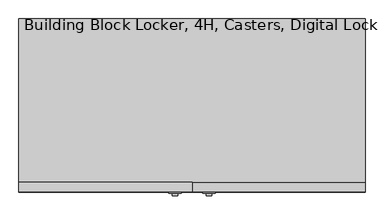
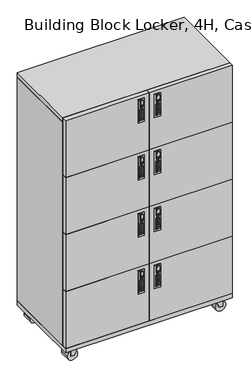
"""IFC4 building model written with IfcOpenShell, lengths in millimetres: furniture geometry, Building Block Locker, 4H, Casters, Digital Lock."""

from ifc_helpers import new_model, si_unit, point, frame, frame_2d, origin, place, context, project, spatial, polyline, circle_curve, trimmed, segment, composite_curve, outline, extrude, source, transform, mapped, element, save


def building_block_locker_4h_casters_digital_lock_9409a73c(model_context):
    return source(origin(), model_context, "Body", "SweptSolid", [
        extrude(outline(polyline([(497.1707735, -459.994), (506.5687735, -459.994), (506.5687735, -460.8078831), (497.1707735, -460.8078831), (497.1707735, -459.994)])), frame((0.0, 0.0, 358.2497206), z_axis=(0.0, 0.0, 1.0), x_axis=(1.0, 0.0, 0.0)), (0.0, 0.0, 1.0), 4.8387031),
        extrude(outline(polyline([(502.9882631, -459.994), (512.8942631, -459.994), (512.8942631, -460.8078831), (502.9882631, -460.8078831), (502.9882631, -459.994)])), frame((0.0, 0.0, 321.691), z_axis=(0.0, 0.0, 1.0), x_axis=(1.0, 0.0, 0.0)), (0.0, 0.0, 1.0), 7.874),
        extrude(outline(polyline([(502.9882631, -459.994), (512.8942631, -459.994), (512.8942631, -460.8078831), (502.9882631, -460.8078831), (502.9882631, -459.994)])), frame((0.0, 0.0, 310.261), z_axis=(0.0, 0.0, 1.0), x_axis=(1.0, 0.0, 0.0)), (0.0, 0.0, 1.0), 7.874),
        extrude(outline(polyline([(502.9882631, -459.994), (512.8942631, -459.994), (512.8942631, -460.8078831), (502.9882631, -460.8078831), (502.9882631, -459.994)])), frame((0.0, 0.0, 344.551), z_axis=(0.0, 0.0, 1.0), x_axis=(1.0, 0.0, 0.0)), (0.0, 0.0, 1.0), 7.874),
        extrude(outline(polyline([(502.9882631, -459.994), (512.8942631, -459.994), (512.8942631, -460.8078831), (502.9882631, -460.8078831), (502.9882631, -459.994)])), frame((0.0, 0.0, 333.121), z_axis=(0.0, 0.0, 1.0), x_axis=(1.0, 0.0, 0.0)), (0.0, 0.0, 1.0), 7.874),
        extrude(outline(polyline([(502.9882631, -459.994), (512.8942631, -459.994), (512.8942631, -460.8078831), (502.9882631, -460.8078831), (502.9882631, -459.994)])), frame((0.0, 0.0, 298.831), z_axis=(0.0, 0.0, 1.0), x_axis=(1.0, 0.0, 0.0)), (0.0, 0.0, 1.0), 7.874),
        extrude(outline(polyline([(502.9882631, -459.994), (512.8942631, -459.994), (512.8942631, -460.8078831), (502.9882631, -460.8078831), (502.9882631, -459.994)])), frame((0.0, 0.0, 287.401), z_axis=(0.0, 0.0, 1.0), x_axis=(1.0, 0.0, 0.0)), (0.0, 0.0, 1.0), 7.874),
        extrude(outline(polyline([(491.0353145, -459.994), (500.9413145, -459.994), (500.9413145, -460.8078831), (491.0353145, -460.8078831), (491.0353145, -459.994)])), frame((0.0, 0.0, 321.691), z_axis=(0.0, 0.0, 1.0), x_axis=(1.0, 0.0, 0.0)), (0.0, 0.0, 1.0), 7.874),
        extrude(outline(polyline([(491.0353145, -459.994), (500.9413145, -459.994), (500.9413145, -460.8078831), (491.0353145, -460.8078831), (491.0353145, -459.994)])), frame((0.0, 0.0, 310.261), z_axis=(0.0, 0.0, 1.0), x_axis=(1.0, 0.0, 0.0)), (0.0, 0.0, 1.0), 7.874),
        extrude(outline(polyline([(491.0353145, -459.994), (500.9413145, -459.994), (500.9413145, -460.8078831), (491.0353145, -460.8078831), (491.0353145, -459.994)])), frame((0.0, 0.0, 344.551), z_axis=(0.0, 0.0, 1.0), x_axis=(1.0, 0.0, 0.0)), (0.0, 0.0, 1.0), 7.874),
        extrude(outline(polyline([(491.0353145, -459.994), (500.9413145, -459.994), (500.9413145, -460.8078831), (491.0353145, -460.8078831), (491.0353145, -459.994)])), frame((0.0, 0.0, 333.121), z_axis=(0.0, 0.0, 1.0), x_axis=(1.0, 0.0, 0.0)), (0.0, 0.0, 1.0), 7.874),
        extrude(outline(polyline([(491.0353145, -459.994), (500.9413145, -459.994), (500.9413145, -460.8078831), (491.0353145, -460.8078831), (491.0353145, -459.994)])), frame((0.0, 0.0, 298.831), z_axis=(0.0, 0.0, 1.0), x_axis=(1.0, 0.0, 0.0)), (0.0, 0.0, 1.0), 7.874),
        extrude(outline(polyline([(491.0353145, -459.994), (500.9413145, -459.994), (500.9413145, -460.8078831), (491.0353145, -460.8078831), (491.0353145, -459.994)])), frame((0.0, 0.0, 287.401), z_axis=(0.0, 0.0, 1.0), x_axis=(1.0, 0.0, 0.0)), (0.0, 0.0, 1.0), 7.874),
        extrude(outline(composite_curve([segment(trimmed(circle_curve(frame_2d((394.1297407, 501.9647888)), 3.302), [point((394.1297407, 498.6627888))], [point((394.1297407, 505.2667888))], False, "CARTESIAN"), True, "CONTINUOUS"), segment(trimmed(circle_curve(frame_2d((394.1297407, 501.9647888)), 3.302), [point((394.1297407, 505.2667888))], [point((394.1297407, 498.6627888))], False, "CARTESIAN"), True, "CONTINUOUS")], self_intersect=False)), frame((0.0, -461.01, 0.0), z_axis=(0.0, 1.0, 0.0), x_axis=(0.0, 0.0, 1.0)), (0.0, 0.0, 1.0), 1.016),
        extrude(outline(polyline([(404.495, 494.7257888), (367.919, 494.7257888), (367.919, 509.2037888), (404.495, 509.2037888), (404.495, 494.7257888)]), holes=[polyline([(370.3640696, 497.1707735), (380.9994975, 497.1707735), (380.9994975, 506.5687735), (370.3640696, 506.5687735), (370.3640696, 497.1707735)])]), frame((0.0, -466.852, 0.0), z_axis=(0.0, 1.0, 0.0), x_axis=(0.0, 0.0, 1.0)), (0.0, 0.0, 1.0), 5.842),
        extrude(outline(polyline([(485.2007888, -457.2), (518.7287888, -457.2), (518.7287888, -459.994), (485.2007888, -459.994), (485.2007888, -457.2)])), frame((0.0, 0.0, 276.225), z_axis=(0.0, 0.0, 1.0), x_axis=(1.0, 0.0, 0.0)), (0.0, 0.0, 1.0), 134.62),
        extrude(outline(polyline([(407.8312265, -459.994), (417.2292265, -459.994), (417.2292265, -460.8078831), (407.8312265, -460.8078831), (407.8312265, -459.994)])), frame((0.0, 0.0, 358.2497206), z_axis=(0.0, 0.0, 1.0), x_axis=(1.0, 0.0, 0.0)), (0.0, 0.0, 1.0), 4.8387031),
        extrude(outline(polyline([(401.5057369, -459.994), (411.4117369, -459.994), (411.4117369, -460.8078831), (401.5057369, -460.8078831), (401.5057369, -459.994)])), frame((0.0, 0.0, 321.691), z_axis=(0.0, 0.0, 1.0), x_axis=(1.0, 0.0, 0.0)), (0.0, 0.0, 1.0), 7.874),
        extrude(outline(polyline([(401.5057369, -459.994), (411.4117369, -459.994), (411.4117369, -460.8078831), (401.5057369, -460.8078831), (401.5057369, -459.994)])), frame((0.0, 0.0, 310.261), z_axis=(0.0, 0.0, 1.0), x_axis=(1.0, 0.0, 0.0)), (0.0, 0.0, 1.0), 7.874),
        extrude(outline(polyline([(401.5057369, -459.994), (411.4117369, -459.994), (411.4117369, -460.8078831), (401.5057369, -460.8078831), (401.5057369, -459.994)])), frame((0.0, 0.0, 344.551), z_axis=(0.0, 0.0, 1.0), x_axis=(1.0, 0.0, 0.0)), (0.0, 0.0, 1.0), 7.874),
        extrude(outline(polyline([(401.5057369, -459.994), (411.4117369, -459.994), (411.4117369, -460.8078831), (401.5057369, -460.8078831), (401.5057369, -459.994)])), frame((0.0, 0.0, 333.121), z_axis=(0.0, 0.0, 1.0), x_axis=(1.0, 0.0, 0.0)), (0.0, 0.0, 1.0), 7.874),
        extrude(outline(polyline([(401.5057369, -459.994), (411.4117369, -459.994), (411.4117369, -460.8078831), (401.5057369, -460.8078831), (401.5057369, -459.994)])), frame((0.0, 0.0, 298.831), z_axis=(0.0, 0.0, 1.0), x_axis=(1.0, 0.0, 0.0)), (0.0, 0.0, 1.0), 7.874),
        extrude(outline(polyline([(401.5057369, -459.994), (411.4117369, -459.994), (411.4117369, -460.8078831), (401.5057369, -460.8078831), (401.5057369, -459.994)])), frame((0.0, 0.0, 287.401), z_axis=(0.0, 0.0, 1.0), x_axis=(1.0, 0.0, 0.0)), (0.0, 0.0, 1.0), 7.874),
        extrude(outline(polyline([(413.4586855, -459.994), (423.3646855, -459.994), (423.3646855, -460.8078831), (413.4586855, -460.8078831), (413.4586855, -459.994)])), frame((0.0, 0.0, 321.691), z_axis=(0.0, 0.0, 1.0), x_axis=(1.0, 0.0, 0.0)), (0.0, 0.0, 1.0), 7.874),
        extrude(outline(polyline([(413.4586855, -459.994), (423.3646855, -459.994), (423.3646855, -460.8078831), (413.4586855, -460.8078831), (413.4586855, -459.994)])), frame((0.0, 0.0, 310.261), z_axis=(0.0, 0.0, 1.0), x_axis=(1.0, 0.0, 0.0)), (0.0, 0.0, 1.0), 7.874),
        extrude(outline(polyline([(413.4586855, -459.994), (423.3646855, -459.994), (423.3646855, -460.8078831), (413.4586855, -460.8078831), (413.4586855, -459.994)])), frame((0.0, 0.0, 344.551), z_axis=(0.0, 0.0, 1.0), x_axis=(1.0, 0.0, 0.0)), (0.0, 0.0, 1.0), 7.874),
        extrude(outline(polyline([(413.4586855, -459.994), (423.3646855, -459.994), (423.3646855, -460.8078831), (413.4586855, -460.8078831), (413.4586855, -459.994)])), frame((0.0, 0.0, 333.121), z_axis=(0.0, 0.0, 1.0), x_axis=(1.0, 0.0, 0.0)), (0.0, 0.0, 1.0), 7.874),
        extrude(outline(polyline([(413.4586855, -459.994), (423.3646855, -459.994), (423.3646855, -460.8078831), (413.4586855, -460.8078831), (413.4586855, -459.994)])), frame((0.0, 0.0, 298.831), z_axis=(0.0, 0.0, 1.0), x_axis=(1.0, 0.0, 0.0)), (0.0, 0.0, 1.0), 7.874),
        extrude(outline(polyline([(413.4586855, -459.994), (423.3646855, -459.994), (423.3646855, -460.8078831), (413.4586855, -460.8078831), (413.4586855, -459.994)])), frame((0.0, 0.0, 287.401), z_axis=(0.0, 0.0, 1.0), x_axis=(1.0, 0.0, 0.0)), (0.0, 0.0, 1.0), 7.874),
        extrude(outline(composite_curve([segment(trimmed(circle_curve(frame_2d((394.1297407, 412.4352112)), 3.302), [point((394.1297407, 409.1332112))], [point((394.1297407, 415.7372112))], False, "CARTESIAN"), True, "CONTINUOUS"), segment(trimmed(circle_curve(frame_2d((394.1297407, 412.4352112)), 3.302), [point((394.1297407, 415.7372112))], [point((394.1297407, 409.1332112))], False, "CARTESIAN"), True, "CONTINUOUS")], self_intersect=False)), frame((0.0, -461.01, 0.0), z_axis=(0.0, 1.0, 0.0), x_axis=(0.0, 0.0, 1.0)), (0.0, 0.0, 1.0), 1.016),
        extrude(outline(polyline([(404.495, 419.6742112), (404.495, 405.1962112), (367.919, 405.1962112), (367.919, 419.6742112), (404.495, 419.6742112)]), holes=[polyline([(370.3640696, 417.2292265), (370.3640696, 407.8312265), (380.9994975, 407.8312265), (380.9994975, 417.2292265), (370.3640696, 417.2292265)])]), frame((0.0, -466.852, 0.0), z_axis=(0.0, 1.0, 0.0), x_axis=(0.0, 0.0, 1.0)), (0.0, 0.0, 1.0), 5.842),
        extrude(outline(polyline([(395.6712112, -457.2), (429.1992112, -457.2), (429.1992112, -459.994), (395.6712112, -459.994), (395.6712112, -457.2)])), frame((0.0, 0.0, 276.225), z_axis=(0.0, 0.0, 1.0), x_axis=(1.0, 0.0, 0.0)), (0.0, 0.0, 1.0), 134.62),
        extrude(outline(polyline([(497.1707735, -459.994), (506.5687735, -459.994), (506.5687735, -460.8078831), (497.1707735, -460.8078831), (497.1707735, -459.994)])), frame((0.0, 0.0, 688.4497206), z_axis=(0.0, 0.0, 1.0), x_axis=(1.0, 0.0, 0.0)), (0.0, 0.0, 1.0), 4.8387031),
        extrude(outline(polyline([(502.9882631, -459.994), (512.8942631, -459.994), (512.8942631, -460.8078831), (502.9882631, -460.8078831), (502.9882631, -459.994)])), frame((0.0, 0.0, 651.891), z_axis=(0.0, 0.0, 1.0), x_axis=(1.0, 0.0, 0.0)), (0.0, 0.0, 1.0), 7.874),
        extrude(outline(polyline([(502.9882631, -459.994), (512.8942631, -459.994), (512.8942631, -460.8078831), (502.9882631, -460.8078831), (502.9882631, -459.994)])), frame((0.0, 0.0, 640.461), z_axis=(0.0, 0.0, 1.0), x_axis=(1.0, 0.0, 0.0)), (0.0, 0.0, 1.0), 7.874),
        extrude(outline(polyline([(502.9882631, -459.994), (512.8942631, -459.994), (512.8942631, -460.8078831), (502.9882631, -460.8078831), (502.9882631, -459.994)])), frame((0.0, 0.0, 674.751), z_axis=(0.0, 0.0, 1.0), x_axis=(1.0, 0.0, 0.0)), (0.0, 0.0, 1.0), 7.874),
        extrude(outline(polyline([(502.9882631, -459.994), (512.8942631, -459.994), (512.8942631, -460.8078831), (502.9882631, -460.8078831), (502.9882631, -459.994)])), frame((0.0, 0.0, 663.321), z_axis=(0.0, 0.0, 1.0), x_axis=(1.0, 0.0, 0.0)), (0.0, 0.0, 1.0), 7.874),
        extrude(outline(polyline([(502.9882631, -459.994), (512.8942631, -459.994), (512.8942631, -460.8078831), (502.9882631, -460.8078831), (502.9882631, -459.994)])), frame((0.0, 0.0, 629.031), z_axis=(0.0, 0.0, 1.0), x_axis=(1.0, 0.0, 0.0)), (0.0, 0.0, 1.0), 7.874),
        extrude(outline(polyline([(502.9882631, -459.994), (512.8942631, -459.994), (512.8942631, -460.8078831), (502.9882631, -460.8078831), (502.9882631, -459.994)])), frame((0.0, 0.0, 617.601), z_axis=(0.0, 0.0, 1.0), x_axis=(1.0, 0.0, 0.0)), (0.0, 0.0, 1.0), 7.874),
        extrude(outline(polyline([(491.0353145, -459.994), (500.9413145, -459.994), (500.9413145, -460.8078831), (491.0353145, -460.8078831), (491.0353145, -459.994)])), frame((0.0, 0.0, 651.891), z_axis=(0.0, 0.0, 1.0), x_axis=(1.0, 0.0, 0.0)), (0.0, 0.0, 1.0), 7.874),
        extrude(outline(polyline([(491.0353145, -459.994), (500.9413145, -459.994), (500.9413145, -460.8078831), (491.0353145, -460.8078831), (491.0353145, -459.994)])), frame((0.0, 0.0, 640.461), z_axis=(0.0, 0.0, 1.0), x_axis=(1.0, 0.0, 0.0)), (0.0, 0.0, 1.0), 7.874),
        extrude(outline(polyline([(491.0353145, -459.994), (500.9413145, -459.994), (500.9413145, -460.8078831), (491.0353145, -460.8078831), (491.0353145, -459.994)])), frame((0.0, 0.0, 674.751), z_axis=(0.0, 0.0, 1.0), x_axis=(1.0, 0.0, 0.0)), (0.0, 0.0, 1.0), 7.874),
        extrude(outline(polyline([(491.0353145, -459.994), (500.9413145, -459.994), (500.9413145, -460.8078831), (491.0353145, -460.8078831), (491.0353145, -459.994)])), frame((0.0, 0.0, 663.321), z_axis=(0.0, 0.0, 1.0), x_axis=(1.0, 0.0, 0.0)), (0.0, 0.0, 1.0), 7.874),
        extrude(outline(polyline([(491.0353145, -459.994), (500.9413145, -459.994), (500.9413145, -460.8078831), (491.0353145, -460.8078831), (491.0353145, -459.994)])), frame((0.0, 0.0, 629.031), z_axis=(0.0, 0.0, 1.0), x_axis=(1.0, 0.0, 0.0)), (0.0, 0.0, 1.0), 7.874),
        extrude(outline(polyline([(491.0353145, -459.994), (500.9413145, -459.994), (500.9413145, -460.8078831), (491.0353145, -460.8078831), (491.0353145, -459.994)])), frame((0.0, 0.0, 617.601), z_axis=(0.0, 0.0, 1.0), x_axis=(1.0, 0.0, 0.0)), (0.0, 0.0, 1.0), 7.874),
        extrude(outline(composite_curve([segment(trimmed(circle_curve(frame_2d((724.3297407, 501.9647888)), 3.302), [point((724.3297407, 498.6627888))], [point((724.3297407, 505.2667888))], False, "CARTESIAN"), True, "CONTINUOUS"), segment(trimmed(circle_curve(frame_2d((724.3297407, 501.9647888)), 3.302), [point((724.3297407, 505.2667888))], [point((724.3297407, 498.6627888))], False, "CARTESIAN"), True, "CONTINUOUS")], self_intersect=False)), frame((0.0, -461.01, 0.0), z_axis=(0.0, 1.0, 0.0), x_axis=(0.0, 0.0, 1.0)), (0.0, 0.0, 1.0), 1.016),
        extrude(outline(polyline([(734.695, 494.7257888), (698.119, 494.7257888), (698.119, 509.2037888), (734.695, 509.2037888), (734.695, 494.7257888)]), holes=[polyline([(700.5640696, 497.1707735), (711.1994975, 497.1707735), (711.1994975, 506.5687735), (700.5640696, 506.5687735), (700.5640696, 497.1707735)])]), frame((0.0, -466.852, 0.0), z_axis=(0.0, 1.0, 0.0), x_axis=(0.0, 0.0, 1.0)), (0.0, 0.0, 1.0), 5.842),
        extrude(outline(polyline([(485.2007888, -457.2), (518.7287888, -457.2), (518.7287888, -459.994), (485.2007888, -459.994), (485.2007888, -457.2)])), frame((0.0, 0.0, 606.425), z_axis=(0.0, 0.0, 1.0), x_axis=(1.0, 0.0, 0.0)), (0.0, 0.0, 1.0), 134.62),
        extrude(outline(polyline([(407.8312265, -459.994), (417.2292265, -459.994), (417.2292265, -460.8078831), (407.8312265, -460.8078831), (407.8312265, -459.994)])), frame((0.0, 0.0, 688.4497206), z_axis=(0.0, 0.0, 1.0), x_axis=(1.0, 0.0, 0.0)), (0.0, 0.0, 1.0), 4.8387031),
        extrude(outline(polyline([(401.5057369, -459.994), (411.4117369, -459.994), (411.4117369, -460.8078831), (401.5057369, -460.8078831), (401.5057369, -459.994)])), frame((0.0, 0.0, 651.891), z_axis=(0.0, 0.0, 1.0), x_axis=(1.0, 0.0, 0.0)), (0.0, 0.0, 1.0), 7.874),
        extrude(outline(polyline([(401.5057369, -459.994), (411.4117369, -459.994), (411.4117369, -460.8078831), (401.5057369, -460.8078831), (401.5057369, -459.994)])), frame((0.0, 0.0, 640.461), z_axis=(0.0, 0.0, 1.0), x_axis=(1.0, 0.0, 0.0)), (0.0, 0.0, 1.0), 7.874),
        extrude(outline(polyline([(401.5057369, -459.994), (411.4117369, -459.994), (411.4117369, -460.8078831), (401.5057369, -460.8078831), (401.5057369, -459.994)])), frame((0.0, 0.0, 674.751), z_axis=(0.0, 0.0, 1.0), x_axis=(1.0, 0.0, 0.0)), (0.0, 0.0, 1.0), 7.874),
        extrude(outline(polyline([(401.5057369, -459.994), (411.4117369, -459.994), (411.4117369, -460.8078831), (401.5057369, -460.8078831), (401.5057369, -459.994)])), frame((0.0, 0.0, 663.321), z_axis=(0.0, 0.0, 1.0), x_axis=(1.0, 0.0, 0.0)), (0.0, 0.0, 1.0), 7.874),
        extrude(outline(polyline([(401.5057369, -459.994), (411.4117369, -459.994), (411.4117369, -460.8078831), (401.5057369, -460.8078831), (401.5057369, -459.994)])), frame((0.0, 0.0, 629.031), z_axis=(0.0, 0.0, 1.0), x_axis=(1.0, 0.0, 0.0)), (0.0, 0.0, 1.0), 7.874),
        extrude(outline(polyline([(401.5057369, -459.994), (411.4117369, -459.994), (411.4117369, -460.8078831), (401.5057369, -460.8078831), (401.5057369, -459.994)])), frame((0.0, 0.0, 617.601), z_axis=(0.0, 0.0, 1.0), x_axis=(1.0, 0.0, 0.0)), (0.0, 0.0, 1.0), 7.874),
        extrude(outline(polyline([(413.4586855, -459.994), (423.3646855, -459.994), (423.3646855, -460.8078831), (413.4586855, -460.8078831), (413.4586855, -459.994)])), frame((0.0, 0.0, 651.891), z_axis=(0.0, 0.0, 1.0), x_axis=(1.0, 0.0, 0.0)), (0.0, 0.0, 1.0), 7.874),
        extrude(outline(polyline([(413.4586855, -459.994), (423.3646855, -459.994), (423.3646855, -460.8078831), (413.4586855, -460.8078831), (413.4586855, -459.994)])), frame((0.0, 0.0, 640.461), z_axis=(0.0, 0.0, 1.0), x_axis=(1.0, 0.0, 0.0)), (0.0, 0.0, 1.0), 7.874),
        extrude(outline(polyline([(413.4586855, -459.994), (423.3646855, -459.994), (423.3646855, -460.8078831), (413.4586855, -460.8078831), (413.4586855, -459.994)])), frame((0.0, 0.0, 674.751), z_axis=(0.0, 0.0, 1.0), x_axis=(1.0, 0.0, 0.0)), (0.0, 0.0, 1.0), 7.874),
        extrude(outline(polyline([(413.4586855, -459.994), (423.3646855, -459.994), (423.3646855, -460.8078831), (413.4586855, -460.8078831), (413.4586855, -459.994)])), frame((0.0, 0.0, 663.321), z_axis=(0.0, 0.0, 1.0), x_axis=(1.0, 0.0, 0.0)), (0.0, 0.0, 1.0), 7.874),
        extrude(outline(polyline([(413.4586855, -459.994), (423.3646855, -459.994), (423.3646855, -460.8078831), (413.4586855, -460.8078831), (413.4586855, -459.994)])), frame((0.0, 0.0, 629.031), z_axis=(0.0, 0.0, 1.0), x_axis=(1.0, 0.0, 0.0)), (0.0, 0.0, 1.0), 7.874),
        extrude(outline(polyline([(413.4586855, -459.994), (423.3646855, -459.994), (423.3646855, -460.8078831), (413.4586855, -460.8078831), (413.4586855, -459.994)])), frame((0.0, 0.0, 617.601), z_axis=(0.0, 0.0, 1.0), x_axis=(1.0, 0.0, 0.0)), (0.0, 0.0, 1.0), 7.874),
        extrude(outline(composite_curve([segment(trimmed(circle_curve(frame_2d((724.3297407, 412.4352112)), 3.302), [point((724.3297407, 409.1332112))], [point((724.3297407, 415.7372112))], False, "CARTESIAN"), True, "CONTINUOUS"), segment(trimmed(circle_curve(frame_2d((724.3297407, 412.4352112)), 3.302), [point((724.3297407, 415.7372112))], [point((724.3297407, 409.1332112))], False, "CARTESIAN"), True, "CONTINUOUS")], self_intersect=False)), frame((0.0, -461.01, 0.0), z_axis=(0.0, 1.0, 0.0), x_axis=(0.0, 0.0, 1.0)), (0.0, 0.0, 1.0), 1.016),
        extrude(outline(polyline([(734.695, 419.6742112), (734.695, 405.1962112), (698.119, 405.1962112), (698.119, 419.6742112), (734.695, 419.6742112)]), holes=[polyline([(700.5640696, 417.2292265), (700.5640696, 407.8312265), (711.1994975, 407.8312265), (711.1994975, 417.2292265), (700.5640696, 417.2292265)])]), frame((0.0, -466.852, 0.0), z_axis=(0.0, 1.0, 0.0), x_axis=(0.0, 0.0, 1.0)), (0.0, 0.0, 1.0), 5.842),
        extrude(outline(polyline([(395.6712112, -457.2), (429.1992112, -457.2), (429.1992112, -459.994), (395.6712112, -459.994), (395.6712112, -457.2)])), frame((0.0, 0.0, 606.425), z_axis=(0.0, 0.0, 1.0), x_axis=(1.0, 0.0, 0.0)), (0.0, 0.0, 1.0), 134.62),
        extrude(outline(polyline([(497.1707735, -459.994), (506.5687735, -459.994), (506.5687735, -460.8078831), (497.1707735, -460.8078831), (497.1707735, -459.994)])), frame((0.0, 0.0, 1018.6497206), z_axis=(0.0, 0.0, 1.0), x_axis=(1.0, 0.0, 0.0)), (0.0, 0.0, 1.0), 4.8387031),
        extrude(outline(polyline([(502.9882631, -459.994), (512.8942631, -459.994), (512.8942631, -460.8078831), (502.9882631, -460.8078831), (502.9882631, -459.994)])), frame((0.0, 0.0, 982.091), z_axis=(0.0, 0.0, 1.0), x_axis=(1.0, 0.0, 0.0)), (0.0, 0.0, 1.0), 7.874),
        extrude(outline(polyline([(502.9882631, -459.994), (512.8942631, -459.994), (512.8942631, -460.8078831), (502.9882631, -460.8078831), (502.9882631, -459.994)])), frame((0.0, 0.0, 970.661), z_axis=(0.0, 0.0, 1.0), x_axis=(1.0, 0.0, 0.0)), (0.0, 0.0, 1.0), 7.874),
        extrude(outline(polyline([(502.9882631, -459.994), (512.8942631, -459.994), (512.8942631, -460.8078831), (502.9882631, -460.8078831), (502.9882631, -459.994)])), frame((0.0, 0.0, 1004.951), z_axis=(0.0, 0.0, 1.0), x_axis=(1.0, 0.0, 0.0)), (0.0, 0.0, 1.0), 7.874),
        extrude(outline(polyline([(502.9882631, -459.994), (512.8942631, -459.994), (512.8942631, -460.8078831), (502.9882631, -460.8078831), (502.9882631, -459.994)])), frame((0.0, 0.0, 993.521), z_axis=(0.0, 0.0, 1.0), x_axis=(1.0, 0.0, 0.0)), (0.0, 0.0, 1.0), 7.874),
        extrude(outline(polyline([(502.9882631, -459.994), (512.8942631, -459.994), (512.8942631, -460.8078831), (502.9882631, -460.8078831), (502.9882631, -459.994)])), frame((0.0, 0.0, 959.231), z_axis=(0.0, 0.0, 1.0), x_axis=(1.0, 0.0, 0.0)), (0.0, 0.0, 1.0), 7.874),
        extrude(outline(polyline([(502.9882631, -459.994), (512.8942631, -459.994), (512.8942631, -460.8078831), (502.9882631, -460.8078831), (502.9882631, -459.994)])), frame((0.0, 0.0, 947.801), z_axis=(0.0, 0.0, 1.0), x_axis=(1.0, 0.0, 0.0)), (0.0, 0.0, 1.0), 7.874),
        extrude(outline(polyline([(491.0353145, -459.994), (500.9413145, -459.994), (500.9413145, -460.8078831), (491.0353145, -460.8078831), (491.0353145, -459.994)])), frame((0.0, 0.0, 982.091), z_axis=(0.0, 0.0, 1.0), x_axis=(1.0, 0.0, 0.0)), (0.0, 0.0, 1.0), 7.874),
        extrude(outline(polyline([(491.0353145, -459.994), (500.9413145, -459.994), (500.9413145, -460.8078831), (491.0353145, -460.8078831), (491.0353145, -459.994)])), frame((0.0, 0.0, 970.661), z_axis=(0.0, 0.0, 1.0), x_axis=(1.0, 0.0, 0.0)), (0.0, 0.0, 1.0), 7.874),
        extrude(outline(polyline([(491.0353145, -459.994), (500.9413145, -459.994), (500.9413145, -460.8078831), (491.0353145, -460.8078831), (491.0353145, -459.994)])), frame((0.0, 0.0, 1004.951), z_axis=(0.0, 0.0, 1.0), x_axis=(1.0, 0.0, 0.0)), (0.0, 0.0, 1.0), 7.874),
        extrude(outline(polyline([(491.0353145, -459.994), (500.9413145, -459.994), (500.9413145, -460.8078831), (491.0353145, -460.8078831), (491.0353145, -459.994)])), frame((0.0, 0.0, 993.521), z_axis=(0.0, 0.0, 1.0), x_axis=(1.0, 0.0, 0.0)), (0.0, 0.0, 1.0), 7.874),
        extrude(outline(polyline([(491.0353145, -459.994), (500.9413145, -459.994), (500.9413145, -460.8078831), (491.0353145, -460.8078831), (491.0353145, -459.994)])), frame((0.0, 0.0, 959.231), z_axis=(0.0, 0.0, 1.0), x_axis=(1.0, 0.0, 0.0)), (0.0, 0.0, 1.0), 7.874),
        extrude(outline(polyline([(491.0353145, -459.994), (500.9413145, -459.994), (500.9413145, -460.8078831), (491.0353145, -460.8078831), (491.0353145, -459.994)])), frame((0.0, 0.0, 947.801), z_axis=(0.0, 0.0, 1.0), x_axis=(1.0, 0.0, 0.0)), (0.0, 0.0, 1.0), 7.874),
        extrude(outline(composite_curve([segment(trimmed(circle_curve(frame_2d((1054.5297407, 501.9647888)), 3.302), [point((1054.5297407, 498.6627888))], [point((1054.5297407, 505.2667888))], False, "CARTESIAN"), True, "CONTINUOUS"), segment(trimmed(circle_curve(frame_2d((1054.5297407, 501.9647888)), 3.302), [point((1054.5297407, 505.2667888))], [point((1054.5297407, 498.6627888))], False, "CARTESIAN"), True, "CONTINUOUS")], self_intersect=False)), frame((0.0, -461.01, 0.0), z_axis=(0.0, 1.0, 0.0), x_axis=(0.0, 0.0, 1.0)), (0.0, 0.0, 1.0), 1.016),
        extrude(outline(polyline([(1064.895, 494.7257888), (1028.319, 494.7257888), (1028.319, 509.2037888), (1064.895, 509.2037888), (1064.895, 494.7257888)]), holes=[polyline([(1030.7640696, 497.1707735), (1041.3994975, 497.1707735), (1041.3994975, 506.5687735), (1030.7640696, 506.5687735), (1030.7640696, 497.1707735)])]), frame((0.0, -466.852, 0.0), z_axis=(0.0, 1.0, 0.0), x_axis=(0.0, 0.0, 1.0)), (0.0, 0.0, 1.0), 5.842),
        extrude(outline(polyline([(485.2007888, -457.2), (518.7287888, -457.2), (518.7287888, -459.994), (485.2007888, -459.994), (485.2007888, -457.2)])), frame((0.0, 0.0, 936.625), z_axis=(0.0, 0.0, 1.0), x_axis=(1.0, 0.0, 0.0)), (0.0, 0.0, 1.0), 134.62),
        extrude(outline(polyline([(407.8312265, -459.994), (417.2292265, -459.994), (417.2292265, -460.8078831), (407.8312265, -460.8078831), (407.8312265, -459.994)])), frame((0.0, 0.0, 1018.6497206), z_axis=(0.0, 0.0, 1.0), x_axis=(1.0, 0.0, 0.0)), (0.0, 0.0, 1.0), 4.8387031),
        extrude(outline(polyline([(401.5057369, -459.994), (411.4117369, -459.994), (411.4117369, -460.8078831), (401.5057369, -460.8078831), (401.5057369, -459.994)])), frame((0.0, 0.0, 982.091), z_axis=(0.0, 0.0, 1.0), x_axis=(1.0, 0.0, 0.0)), (0.0, 0.0, 1.0), 7.874),
        extrude(outline(polyline([(401.5057369, -459.994), (411.4117369, -459.994), (411.4117369, -460.8078831), (401.5057369, -460.8078831), (401.5057369, -459.994)])), frame((0.0, 0.0, 970.661), z_axis=(0.0, 0.0, 1.0), x_axis=(1.0, 0.0, 0.0)), (0.0, 0.0, 1.0), 7.874),
        extrude(outline(polyline([(401.5057369, -459.994), (411.4117369, -459.994), (411.4117369, -460.8078831), (401.5057369, -460.8078831), (401.5057369, -459.994)])), frame((0.0, 0.0, 1004.951), z_axis=(0.0, 0.0, 1.0), x_axis=(1.0, 0.0, 0.0)), (0.0, 0.0, 1.0), 7.874),
        extrude(outline(polyline([(401.5057369, -459.994), (411.4117369, -459.994), (411.4117369, -460.8078831), (401.5057369, -460.8078831), (401.5057369, -459.994)])), frame((0.0, 0.0, 993.521), z_axis=(0.0, 0.0, 1.0), x_axis=(1.0, 0.0, 0.0)), (0.0, 0.0, 1.0), 7.874),
        extrude(outline(polyline([(401.5057369, -459.994), (411.4117369, -459.994), (411.4117369, -460.8078831), (401.5057369, -460.8078831), (401.5057369, -459.994)])), frame((0.0, 0.0, 959.231), z_axis=(0.0, 0.0, 1.0), x_axis=(1.0, 0.0, 0.0)), (0.0, 0.0, 1.0), 7.874),
        extrude(outline(polyline([(401.5057369, -459.994), (411.4117369, -459.994), (411.4117369, -460.8078831), (401.5057369, -460.8078831), (401.5057369, -459.994)])), frame((0.0, 0.0, 947.801), z_axis=(0.0, 0.0, 1.0), x_axis=(1.0, 0.0, 0.0)), (0.0, 0.0, 1.0), 7.874),
        extrude(outline(polyline([(413.4586855, -459.994), (423.3646855, -459.994), (423.3646855, -460.8078831), (413.4586855, -460.8078831), (413.4586855, -459.994)])), frame((0.0, 0.0, 982.091), z_axis=(0.0, 0.0, 1.0), x_axis=(1.0, 0.0, 0.0)), (0.0, 0.0, 1.0), 7.874),
        extrude(outline(polyline([(413.4586855, -459.994), (423.3646855, -459.994), (423.3646855, -460.8078831), (413.4586855, -460.8078831), (413.4586855, -459.994)])), frame((0.0, 0.0, 970.661), z_axis=(0.0, 0.0, 1.0), x_axis=(1.0, 0.0, 0.0)), (0.0, 0.0, 1.0), 7.874),
        extrude(outline(polyline([(413.4586855, -459.994), (423.3646855, -459.994), (423.3646855, -460.8078831), (413.4586855, -460.8078831), (413.4586855, -459.994)])), frame((0.0, 0.0, 1004.951), z_axis=(0.0, 0.0, 1.0), x_axis=(1.0, 0.0, 0.0)), (0.0, 0.0, 1.0), 7.874),
        extrude(outline(polyline([(413.4586855, -459.994), (423.3646855, -459.994), (423.3646855, -460.8078831), (413.4586855, -460.8078831), (413.4586855, -459.994)])), frame((0.0, 0.0, 993.521), z_axis=(0.0, 0.0, 1.0), x_axis=(1.0, 0.0, 0.0)), (0.0, 0.0, 1.0), 7.874),
        extrude(outline(polyline([(413.4586855, -459.994), (423.3646855, -459.994), (423.3646855, -460.8078831), (413.4586855, -460.8078831), (413.4586855, -459.994)])), frame((0.0, 0.0, 959.231), z_axis=(0.0, 0.0, 1.0), x_axis=(1.0, 0.0, 0.0)), (0.0, 0.0, 1.0), 7.874),
        extrude(outline(polyline([(413.4586855, -459.994), (423.3646855, -459.994), (423.3646855, -460.8078831), (413.4586855, -460.8078831), (413.4586855, -459.994)])), frame((0.0, 0.0, 947.801), z_axis=(0.0, 0.0, 1.0), x_axis=(1.0, 0.0, 0.0)), (0.0, 0.0, 1.0), 7.874),
        extrude(outline(composite_curve([segment(trimmed(circle_curve(frame_2d((1054.5297407, 412.4352112)), 3.302), [point((1054.5297407, 409.1332112))], [point((1054.5297407, 415.7372112))], False, "CARTESIAN"), True, "CONTINUOUS"), segment(trimmed(circle_curve(frame_2d((1054.5297407, 412.4352112)), 3.302), [point((1054.5297407, 415.7372112))], [point((1054.5297407, 409.1332112))], False, "CARTESIAN"), True, "CONTINUOUS")], self_intersect=False)), frame((0.0, -461.01, 0.0), z_axis=(0.0, 1.0, 0.0), x_axis=(0.0, 0.0, 1.0)), (0.0, 0.0, 1.0), 1.016),
        extrude(outline(polyline([(1064.895, 419.6742112), (1064.895, 405.1962112), (1028.319, 405.1962112), (1028.319, 419.6742112), (1064.895, 419.6742112)]), holes=[polyline([(1030.7640696, 417.2292265), (1030.7640696, 407.8312265), (1041.3994975, 407.8312265), (1041.3994975, 417.2292265), (1030.7640696, 417.2292265)])]), frame((0.0, -466.852, 0.0), z_axis=(0.0, 1.0, 0.0), x_axis=(0.0, 0.0, 1.0)), (0.0, 0.0, 1.0), 5.842),
        extrude(outline(polyline([(395.6712112, -457.2), (429.1992112, -457.2), (429.1992112, -459.994), (395.6712112, -459.994), (395.6712112, -457.2)])), frame((0.0, 0.0, 936.625), z_axis=(0.0, 0.0, 1.0), x_axis=(1.0, 0.0, 0.0)), (0.0, 0.0, 1.0), 134.62),
        extrude(outline(polyline([(497.1707735, -459.994), (506.5687735, -459.994), (506.5687735, -460.8078831), (497.1707735, -460.8078831), (497.1707735, -459.994)])), frame((0.0, 0.0, 1348.8497206), z_axis=(0.0, 0.0, 1.0), x_axis=(1.0, 0.0, 0.0)), (0.0, 0.0, 1.0), 4.8387031),
        extrude(outline(polyline([(502.9882631, -459.994), (512.8942631, -459.994), (512.8942631, -460.8078831), (502.9882631, -460.8078831), (502.9882631, -459.994)])), frame((0.0, 0.0, 1312.291), z_axis=(0.0, 0.0, 1.0), x_axis=(1.0, 0.0, 0.0)), (0.0, 0.0, 1.0), 7.874),
        extrude(outline(polyline([(502.9882631, -459.994), (512.8942631, -459.994), (512.8942631, -460.8078831), (502.9882631, -460.8078831), (502.9882631, -459.994)])), frame((0.0, 0.0, 1300.861), z_axis=(0.0, 0.0, 1.0), x_axis=(1.0, 0.0, 0.0)), (0.0, 0.0, 1.0), 7.874),
        extrude(outline(polyline([(502.9882631, -459.994), (512.8942631, -459.994), (512.8942631, -460.8078831), (502.9882631, -460.8078831), (502.9882631, -459.994)])), frame((0.0, 0.0, 1335.151), z_axis=(0.0, 0.0, 1.0), x_axis=(1.0, 0.0, 0.0)), (0.0, 0.0, 1.0), 7.874),
        extrude(outline(polyline([(502.9882631, -459.994), (512.8942631, -459.994), (512.8942631, -460.8078831), (502.9882631, -460.8078831), (502.9882631, -459.994)])), frame((0.0, 0.0, 1323.721), z_axis=(0.0, 0.0, 1.0), x_axis=(1.0, 0.0, 0.0)), (0.0, 0.0, 1.0), 7.874),
        extrude(outline(polyline([(502.9882631, -459.994), (512.8942631, -459.994), (512.8942631, -460.8078831), (502.9882631, -460.8078831), (502.9882631, -459.994)])), frame((0.0, 0.0, 1289.431), z_axis=(0.0, 0.0, 1.0), x_axis=(1.0, 0.0, 0.0)), (0.0, 0.0, 1.0), 7.874),
        extrude(outline(polyline([(502.9882631, -459.994), (512.8942631, -459.994), (512.8942631, -460.8078831), (502.9882631, -460.8078831), (502.9882631, -459.994)])), frame((0.0, 0.0, 1278.001), z_axis=(0.0, 0.0, 1.0), x_axis=(1.0, 0.0, 0.0)), (0.0, 0.0, 1.0), 7.874),
        extrude(outline(polyline([(491.0353145, -459.994), (500.9413145, -459.994), (500.9413145, -460.8078831), (491.0353145, -460.8078831), (491.0353145, -459.994)])), frame((0.0, 0.0, 1312.291), z_axis=(0.0, 0.0, 1.0), x_axis=(1.0, 0.0, 0.0)), (0.0, 0.0, 1.0), 7.874),
        extrude(outline(polyline([(491.0353145, -459.994), (500.9413145, -459.994), (500.9413145, -460.8078831), (491.0353145, -460.8078831), (491.0353145, -459.994)])), frame((0.0, 0.0, 1300.861), z_axis=(0.0, 0.0, 1.0), x_axis=(1.0, 0.0, 0.0)), (0.0, 0.0, 1.0), 7.874),
        extrude(outline(polyline([(491.0353145, -459.994), (500.9413145, -459.994), (500.9413145, -460.8078831), (491.0353145, -460.8078831), (491.0353145, -459.994)])), frame((0.0, 0.0, 1335.151), z_axis=(0.0, 0.0, 1.0), x_axis=(1.0, 0.0, 0.0)), (0.0, 0.0, 1.0), 7.874),
        extrude(outline(polyline([(491.0353145, -459.994), (500.9413145, -459.994), (500.9413145, -460.8078831), (491.0353145, -460.8078831), (491.0353145, -459.994)])), frame((0.0, 0.0, 1323.721), z_axis=(0.0, 0.0, 1.0), x_axis=(1.0, 0.0, 0.0)), (0.0, 0.0, 1.0), 7.874),
        extrude(outline(polyline([(491.0353145, -459.994), (500.9413145, -459.994), (500.9413145, -460.8078831), (491.0353145, -460.8078831), (491.0353145, -459.994)])), frame((0.0, 0.0, 1289.431), z_axis=(0.0, 0.0, 1.0), x_axis=(1.0, 0.0, 0.0)), (0.0, 0.0, 1.0), 7.874),
        extrude(outline(polyline([(491.0353145, -459.994), (500.9413145, -459.994), (500.9413145, -460.8078831), (491.0353145, -460.8078831), (491.0353145, -459.994)])), frame((0.0, 0.0, 1278.001), z_axis=(0.0, 0.0, 1.0), x_axis=(1.0, 0.0, 0.0)), (0.0, 0.0, 1.0), 7.874),
        extrude(outline(composite_curve([segment(trimmed(circle_curve(frame_2d((1384.7297407, 501.9647888)), 3.302), [point((1384.7297407, 498.6627888))], [point((1384.7297407, 505.2667888))], False, "CARTESIAN"), True, "CONTINUOUS"), segment(trimmed(circle_curve(frame_2d((1384.7297407, 501.9647888)), 3.302), [point((1384.7297407, 505.2667888))], [point((1384.7297407, 498.6627888))], False, "CARTESIAN"), True, "CONTINUOUS")], self_intersect=False)), frame((0.0, -461.01, 0.0), z_axis=(0.0, 1.0, 0.0), x_axis=(0.0, 0.0, 1.0)), (0.0, 0.0, 1.0), 1.016),
        extrude(outline(polyline([(1395.095, 494.7257888), (1358.519, 494.7257888), (1358.519, 509.2037888), (1395.095, 509.2037888), (1395.095, 494.7257888)]), holes=[polyline([(1360.9640696, 497.1707735), (1371.5994975, 497.1707735), (1371.5994975, 506.5687735), (1360.9640696, 506.5687735), (1360.9640696, 497.1707735)])]), frame((0.0, -466.852, 0.0), z_axis=(0.0, 1.0, 0.0), x_axis=(0.0, 0.0, 1.0)), (0.0, 0.0, 1.0), 5.842),
        extrude(outline(polyline([(485.2007888, -457.2), (518.7287888, -457.2), (518.7287888, -459.994), (485.2007888, -459.994), (485.2007888, -457.2)])), frame((0.0, 0.0, 1266.825), z_axis=(0.0, 0.0, 1.0), x_axis=(1.0, 0.0, 0.0)), (0.0, 0.0, 1.0), 134.62),
        extrude(outline(polyline([(407.8312265, -459.994), (417.2292265, -459.994), (417.2292265, -460.8078831), (407.8312265, -460.8078831), (407.8312265, -459.994)])), frame((0.0, 0.0, 1348.8497206), z_axis=(0.0, 0.0, 1.0), x_axis=(1.0, 0.0, 0.0)), (0.0, 0.0, 1.0), 4.8387031),
        extrude(outline(polyline([(401.5057369, -459.994), (411.4117369, -459.994), (411.4117369, -460.8078831), (401.5057369, -460.8078831), (401.5057369, -459.994)])), frame((0.0, 0.0, 1312.291), z_axis=(0.0, 0.0, 1.0), x_axis=(1.0, 0.0, 0.0)), (0.0, 0.0, 1.0), 7.874),
        extrude(outline(polyline([(401.5057369, -459.994), (411.4117369, -459.994), (411.4117369, -460.8078831), (401.5057369, -460.8078831), (401.5057369, -459.994)])), frame((0.0, 0.0, 1300.861), z_axis=(0.0, 0.0, 1.0), x_axis=(1.0, 0.0, 0.0)), (0.0, 0.0, 1.0), 7.874),
        extrude(outline(polyline([(401.5057369, -459.994), (411.4117369, -459.994), (411.4117369, -460.8078831), (401.5057369, -460.8078831), (401.5057369, -459.994)])), frame((0.0, 0.0, 1335.151), z_axis=(0.0, 0.0, 1.0), x_axis=(1.0, 0.0, 0.0)), (0.0, 0.0, 1.0), 7.874),
        extrude(outline(polyline([(401.5057369, -459.994), (411.4117369, -459.994), (411.4117369, -460.8078831), (401.5057369, -460.8078831), (401.5057369, -459.994)])), frame((0.0, 0.0, 1323.721), z_axis=(0.0, 0.0, 1.0), x_axis=(1.0, 0.0, 0.0)), (0.0, 0.0, 1.0), 7.874),
        extrude(outline(polyline([(401.5057369, -459.994), (411.4117369, -459.994), (411.4117369, -460.8078831), (401.5057369, -460.8078831), (401.5057369, -459.994)])), frame((0.0, 0.0, 1289.431), z_axis=(0.0, 0.0, 1.0), x_axis=(1.0, 0.0, 0.0)), (0.0, 0.0, 1.0), 7.874),
        extrude(outline(polyline([(401.5057369, -459.994), (411.4117369, -459.994), (411.4117369, -460.8078831), (401.5057369, -460.8078831), (401.5057369, -459.994)])), frame((0.0, 0.0, 1278.001), z_axis=(0.0, 0.0, 1.0), x_axis=(1.0, 0.0, 0.0)), (0.0, 0.0, 1.0), 7.874),
        extrude(outline(polyline([(413.4586855, -459.994), (423.3646855, -459.994), (423.3646855, -460.8078831), (413.4586855, -460.8078831), (413.4586855, -459.994)])), frame((0.0, 0.0, 1312.291), z_axis=(0.0, 0.0, 1.0), x_axis=(1.0, 0.0, 0.0)), (0.0, 0.0, 1.0), 7.874),
        extrude(outline(polyline([(413.4586855, -459.994), (423.3646855, -459.994), (423.3646855, -460.8078831), (413.4586855, -460.8078831), (413.4586855, -459.994)])), frame((0.0, 0.0, 1300.861), z_axis=(0.0, 0.0, 1.0), x_axis=(1.0, 0.0, 0.0)), (0.0, 0.0, 1.0), 7.874),
        extrude(outline(polyline([(413.4586855, -459.994), (423.3646855, -459.994), (423.3646855, -460.8078831), (413.4586855, -460.8078831), (413.4586855, -459.994)])), frame((0.0, 0.0, 1335.151), z_axis=(0.0, 0.0, 1.0), x_axis=(1.0, 0.0, 0.0)), (0.0, 0.0, 1.0), 7.874),
        extrude(outline(polyline([(413.4586855, -459.994), (423.3646855, -459.994), (423.3646855, -460.8078831), (413.4586855, -460.8078831), (413.4586855, -459.994)])), frame((0.0, 0.0, 1323.721), z_axis=(0.0, 0.0, 1.0), x_axis=(1.0, 0.0, 0.0)), (0.0, 0.0, 1.0), 7.874),
        extrude(outline(polyline([(413.4586855, -459.994), (423.3646855, -459.994), (423.3646855, -460.8078831), (413.4586855, -460.8078831), (413.4586855, -459.994)])), frame((0.0, 0.0, 1289.431), z_axis=(0.0, 0.0, 1.0), x_axis=(1.0, 0.0, 0.0)), (0.0, 0.0, 1.0), 7.874),
        extrude(outline(polyline([(413.4586855, -459.994), (423.3646855, -459.994), (423.3646855, -460.8078831), (413.4586855, -460.8078831), (413.4586855, -459.994)])), frame((0.0, 0.0, 1278.001), z_axis=(0.0, 0.0, 1.0), x_axis=(1.0, 0.0, 0.0)), (0.0, 0.0, 1.0), 7.874),
        extrude(outline(composite_curve([segment(trimmed(circle_curve(frame_2d((1384.7297407, 412.4352112)), 3.302), [point((1384.7297407, 409.1332112))], [point((1384.7297407, 415.7372112))], False, "CARTESIAN"), True, "CONTINUOUS"), segment(trimmed(circle_curve(frame_2d((1384.7297407, 412.4352112)), 3.302), [point((1384.7297407, 415.7372112))], [point((1384.7297407, 409.1332112))], False, "CARTESIAN"), True, "CONTINUOUS")], self_intersect=False)), frame((0.0, -461.01, 0.0), z_axis=(0.0, 1.0, 0.0), x_axis=(0.0, 0.0, 1.0)), (0.0, 0.0, 1.0), 1.016),
        extrude(outline(polyline([(1395.095, 419.6742112), (1395.095, 405.1962112), (1358.519, 405.1962112), (1358.519, 419.6742112), (1395.095, 419.6742112)]), holes=[polyline([(1360.9640696, 417.2292265), (1360.9640696, 407.8312265), (1371.5994975, 407.8312265), (1371.5994975, 417.2292265), (1360.9640696, 417.2292265)])]), frame((0.0, -466.852, 0.0), z_axis=(0.0, 1.0, 0.0), x_axis=(0.0, 0.0, 1.0)), (0.0, 0.0, 1.0), 5.842),
        extrude(outline(polyline([(395.6712112, -457.2), (429.1992112, -457.2), (429.1992112, -459.994), (395.6712112, -459.994), (395.6712112, -457.2)])), frame((0.0, 0.0, 1266.825), z_axis=(0.0, 0.0, 1.0), x_axis=(1.0, 0.0, 0.0)), (0.0, 0.0, 1.0), 134.62),
        extrude(outline(polyline([(457.2, -457.2), (0.0, -457.2), (0.0, -431.8), (457.2, -431.8), (457.2, -457.2)])), frame((0.0, 0.0, 1089.025), z_axis=(0.0, 0.0, 1.0), x_axis=(1.0, 0.0, 0.0)), (0.0, 0.0, 1.0), 330.2),
        extrude(outline(polyline([(914.4, -431.8), (0.0, -431.8), (0.0, 0.0), (914.4, 0.0), (914.4, -431.8)])), frame((0.0, 0.0, 1393.825), z_axis=(0.0, 0.0, 1.0), x_axis=(1.0, 0.0, 0.0)), (0.0, 0.0, 1.0), 25.4),
        extrude(outline(polyline([(914.4, -457.2), (457.2, -457.2), (457.2, -431.8), (914.4, -431.8), (914.4, -457.2)])), frame((0.0, 0.0, 98.425), z_axis=(0.0, 0.0, 1.0), x_axis=(1.0, 0.0, 0.0)), (0.0, 0.0, 1.0), 330.2),
        extrude(outline(polyline([(457.2, -457.2), (0.0, -457.2), (0.0, -431.8), (457.2, -431.8), (457.2, -457.2)])), frame((0.0, 0.0, 98.425), z_axis=(0.0, 0.0, 1.0), x_axis=(1.0, 0.0, 0.0)), (0.0, 0.0, 1.0), 330.2),
        extrude(outline(polyline([(914.4, -457.2), (457.2, -457.2), (457.2, -431.8), (914.4, -431.8), (914.4, -457.2)])), frame((0.0, 0.0, 428.625), z_axis=(0.0, 0.0, 1.0), x_axis=(1.0, 0.0, 0.0)), (0.0, 0.0, 1.0), 330.2),
        extrude(outline(polyline([(457.2, -457.2), (0.0, -457.2), (0.0, -431.8), (457.2, -431.8), (457.2, -457.2)])), frame((0.0, 0.0, 428.625), z_axis=(0.0, 0.0, 1.0), x_axis=(1.0, 0.0, 0.0)), (0.0, 0.0, 1.0), 330.2),
        extrude(outline(polyline([(914.4, -457.2), (457.2, -457.2), (457.2, -431.8), (914.4, -431.8), (914.4, -457.2)])), frame((0.0, 0.0, 758.825), z_axis=(0.0, 0.0, 1.0), x_axis=(1.0, 0.0, 0.0)), (0.0, 0.0, 1.0), 330.2),
        extrude(outline(polyline([(457.2, -457.2), (0.0, -457.2), (0.0, -431.8), (457.2, -431.8), (457.2, -457.2)])), frame((0.0, 0.0, 758.825), z_axis=(0.0, 0.0, 1.0), x_axis=(1.0, 0.0, 0.0)), (0.0, 0.0, 1.0), 330.2),
        extrude(outline(polyline([(914.4, -457.2), (457.2, -457.2), (457.2, -431.8), (914.4, -431.8), (914.4, -457.2)])), frame((0.0, 0.0, 1089.025), z_axis=(0.0, 0.0, 1.0), x_axis=(1.0, 0.0, 0.0)), (0.0, 0.0, 1.0), 330.2),
        extrude(outline(polyline([(889.0, -12.7), (25.4, -12.7), (25.4, -9.7487804), (889.0, -9.7487804), (889.0, -12.7)])), frame((0.0, 0.0, 98.425), z_axis=(0.0, 0.0, 1.0), x_axis=(1.0, 0.0, 0.0)), (0.0, 0.0, 1.0), 1295.4),
        extrude(outline(polyline([(889.0, 0.0), (914.4, 0.0), (914.4, -431.8), (889.0, -431.8), (889.0, 0.0)])), frame((0.0, 0.0, 98.425), z_axis=(0.0, 0.0, 1.0), x_axis=(1.0, 0.0, 0.0)), (0.0, 0.0, 1.0), 1295.4),
        extrude(outline(polyline([(25.4, -431.8), (0.0, -431.8), (0.0, 0.0), (25.4, 0.0), (25.4, -431.8)])), frame((0.0, 0.0, 98.425), z_axis=(0.0, 0.0, 1.0), x_axis=(1.0, 0.0, 0.0)), (0.0, 0.0, 1.0), 1295.4),
        extrude(outline(polyline([(914.4, -457.2), (0.0, -457.2), (0.0, 0.0), (914.4, 0.0), (914.4, -457.2)])), frame((0.0, 0.0, 73.025), z_axis=(0.0, 0.0, 1.0), x_axis=(1.0, 0.0, 0.0)), (0.0, 0.0, 1.0), 25.4),
        extrude(outline(composite_curve([segment(trimmed(circle_curve(frame_2d((28.5450835, 863.6)), 28.5450835), [point((28.5450835, 892.1450835))], [point((28.5450835, 835.0549165))], False, "CARTESIAN"), True, "CONTINUOUS"), segment(trimmed(circle_curve(frame_2d((28.5450835, 863.6)), 28.5450835), [point((28.5450835, 835.0549165))], [point((28.5450835, 892.1450835))], False, "CARTESIAN"), True, "CONTINUOUS")], self_intersect=False)), frame((0.0, -432.9785671, 0.0), z_axis=(0.0, 1.0, 0.0), x_axis=(0.0, 0.0, 1.0)), (0.0, 0.0, 1.0), 53.0422756),
        extrude(outline(polyline([(73.025, 832.6896756), (24.60625, 854.6518893), (24.60625, 874.0068204), (73.025, 874.0068204), (73.025, 832.6896756)])), frame((0.0, -434.6443623, 0.0), z_axis=(0.0, 1.0, 0.0), x_axis=(0.0, 0.0, 1.0)), (0.0, 0.0, 1.0), 56.3912026),
        extrude(outline(composite_curve([segment(trimmed(circle_curve(frame_2d((28.5450835, 50.8)), 28.5450835), [point((28.5450835, 22.2549165))], [point((28.5450835, 79.3450835))], False, "CARTESIAN"), True, "CONTINUOUS"), segment(trimmed(circle_curve(frame_2d((28.5450835, 50.8)), 28.5450835), [point((28.5450835, 79.3450835))], [point((28.5450835, 22.2549165))], False, "CARTESIAN"), True, "CONTINUOUS")], self_intersect=False)), frame((0.0, -432.9785671, 0.0), z_axis=(0.0, 1.0, 0.0), x_axis=(0.0, 0.0, 1.0)), (0.0, 0.0, 1.0), 53.0422756),
        extrude(outline(polyline([(73.025, 81.7103244), (73.025, 40.3931796), (24.60625, 40.3931796), (24.60625, 59.7481107), (73.025, 81.7103244)])), frame((0.0, -434.6443623, 0.0), z_axis=(0.0, 1.0, 0.0), x_axis=(0.0, 0.0, 1.0)), (0.0, 0.0, 1.0), 56.3912026),
        extrude(outline(composite_curve([segment(trimmed(circle_curve(frame_2d((28.5450835, 863.6)), 28.5450835), [point((28.5450835, 892.1450835))], [point((28.5450835, 835.0549165))], False, "CARTESIAN"), True, "CONTINUOUS"), segment(trimmed(circle_curve(frame_2d((28.5450835, 863.6)), 28.5450835), [point((28.5450835, 835.0549165))], [point((28.5450835, 892.1450835))], False, "CARTESIAN"), True, "CONTINUOUS")], self_intersect=False)), frame((0.0, -77.2637085, 0.0), z_axis=(0.0, 1.0, 0.0), x_axis=(0.0, 0.0, 1.0)), (0.0, 0.0, 1.0), 53.0422756),
        extrude(outline(polyline([(73.025, 832.6896756), (24.60625, 854.6518893), (24.60625, 874.0068204), (73.025, 874.0068204), (73.025, 832.6896756)])), frame((0.0, -78.9468403, 0.0), z_axis=(0.0, 1.0, 0.0), x_axis=(0.0, 0.0, 1.0)), (0.0, 0.0, 1.0), 56.3912026),
        extrude(outline(composite_curve([segment(trimmed(circle_curve(frame_2d((28.5450835, 50.8)), 28.5450835), [point((28.5450835, 22.2549165))], [point((28.5450835, 79.3450835))], False, "CARTESIAN"), True, "CONTINUOUS"), segment(trimmed(circle_curve(frame_2d((28.5450835, 50.8)), 28.5450835), [point((28.5450835, 79.3450835))], [point((28.5450835, 22.2549165))], False, "CARTESIAN"), True, "CONTINUOUS")], self_intersect=False)), frame((0.0, -77.2637085, 0.0), z_axis=(0.0, 1.0, 0.0), x_axis=(0.0, 0.0, 1.0)), (0.0, 0.0, 1.0), 53.0422756),
        extrude(outline(polyline([(73.025, 81.7103244), (73.025, 40.3931796), (24.60625, 40.3931796), (24.60625, 59.7481107), (73.025, 81.7103244)])), frame((0.0, -78.9468403, 0.0), z_axis=(0.0, 1.0, 0.0), x_axis=(0.0, 0.0, 1.0)), (0.0, 0.0, 1.0), 56.3912026),
        extrude(outline(composite_curve([segment(trimmed(circle_curve(frame_2d((850.9, -406.4)), 15.9254799), [point((866.8254799, -406.4))], [point((834.9745201, -406.4))], False, "CARTESIAN"), True, "CONTINUOUS"), segment(trimmed(circle_curve(frame_2d((850.9, -406.4)), 15.9254799), [point((834.9745201, -406.4))], [point((866.8254799, -406.4))], False, "CARTESIAN"), True, "CONTINUOUS")], self_intersect=False)), frame((0.0, 0.0, 67.2703125), z_axis=(0.0, 0.0, 1.0), x_axis=(1.0, 0.0, 0.0)), (0.0, 0.0, 1.0), 0.9921875),
        extrude(outline(composite_curve([segment(trimmed(circle_curve(frame_2d((850.9, -406.4)), 10.16), [point((861.06, -406.4))], [point((840.74, -406.4))], False, "CARTESIAN"), True, "CONTINUOUS"), segment(trimmed(circle_curve(frame_2d((850.9, -406.4)), 10.16), [point((840.74, -406.4))], [point((861.06, -406.4))], False, "CARTESIAN"), True, "CONTINUOUS")], self_intersect=False)), frame((0.0, 0.0, 68.2625), z_axis=(0.0, 0.0, 1.0), x_axis=(1.0, 0.0, 0.0)), (0.0, 0.0, 1.0), 4.7625),
        extrude(outline(composite_curve([segment(trimmed(circle_curve(frame_2d((850.9, -50.8)), 15.9254799), [point((866.8254799, -50.8))], [point((834.9745201, -50.8))], False, "CARTESIAN"), True, "CONTINUOUS"), segment(trimmed(circle_curve(frame_2d((850.9, -50.8)), 15.9254799), [point((834.9745201, -50.8))], [point((866.8254799, -50.8))], False, "CARTESIAN"), True, "CONTINUOUS")], self_intersect=False)), frame((0.0, 0.0, 67.2703125), z_axis=(0.0, 0.0, 1.0), x_axis=(1.0, 0.0, 0.0)), (0.0, 0.0, 1.0), 0.9921875),
        extrude(outline(composite_curve([segment(trimmed(circle_curve(frame_2d((850.9, -50.8)), 10.16), [point((861.06, -50.8))], [point((840.74, -50.8))], False, "CARTESIAN"), True, "CONTINUOUS"), segment(trimmed(circle_curve(frame_2d((850.9, -50.8)), 10.16), [point((840.74, -50.8))], [point((861.06, -50.8))], False, "CARTESIAN"), True, "CONTINUOUS")], self_intersect=False)), frame((0.0, 0.0, 68.2625), z_axis=(0.0, 0.0, 1.0), x_axis=(1.0, 0.0, 0.0)), (0.0, 0.0, 1.0), 4.7625),
        extrude(outline(composite_curve([segment(trimmed(circle_curve(frame_2d((63.5, -406.4)), 15.9254799), [point((47.5745201, -406.4))], [point((79.4254799, -406.4))], False, "CARTESIAN"), True, "CONTINUOUS"), segment(trimmed(circle_curve(frame_2d((63.5, -406.4)), 15.9254799), [point((79.4254799, -406.4))], [point((47.5745201, -406.4))], False, "CARTESIAN"), True, "CONTINUOUS")], self_intersect=False)), frame((0.0, 0.0, 67.2703125), z_axis=(0.0, 0.0, 1.0), x_axis=(1.0, 0.0, 0.0)), (0.0, 0.0, 1.0), 0.9921875),
        extrude(outline(composite_curve([segment(trimmed(circle_curve(frame_2d((63.5, -406.4)), 10.16), [point((53.34, -406.4))], [point((73.66, -406.4))], False, "CARTESIAN"), True, "CONTINUOUS"), segment(trimmed(circle_curve(frame_2d((63.5, -406.4)), 10.16), [point((73.66, -406.4))], [point((53.34, -406.4))], False, "CARTESIAN"), True, "CONTINUOUS")], self_intersect=False)), frame((0.0, 0.0, 68.2625), z_axis=(0.0, 0.0, 1.0), x_axis=(1.0, 0.0, 0.0)), (0.0, 0.0, 1.0), 4.7625),
        extrude(outline(composite_curve([segment(trimmed(circle_curve(frame_2d((63.5, -50.8)), 15.9254799), [point((47.5745201, -50.8))], [point((79.4254799, -50.8))], False, "CARTESIAN"), True, "CONTINUOUS"), segment(trimmed(circle_curve(frame_2d((63.5, -50.8)), 15.9254799), [point((79.4254799, -50.8))], [point((47.5745201, -50.8))], False, "CARTESIAN"), True, "CONTINUOUS")], self_intersect=False)), frame((0.0, 0.0, 67.2703125), z_axis=(0.0, 0.0, 1.0), x_axis=(1.0, 0.0, 0.0)), (0.0, 0.0, 1.0), 0.9921875),
        extrude(outline(composite_curve([segment(trimmed(circle_curve(frame_2d((63.5, -50.8)), 10.16), [point((53.34, -50.8))], [point((73.66, -50.8))], False, "CARTESIAN"), True, "CONTINUOUS"), segment(trimmed(circle_curve(frame_2d((63.5, -50.8)), 10.16), [point((73.66, -50.8))], [point((53.34, -50.8))], False, "CARTESIAN"), True, "CONTINUOUS")], self_intersect=False)), frame((0.0, 0.0, 68.2625), z_axis=(0.0, 0.0, 1.0), x_axis=(1.0, 0.0, 0.0)), (0.0, 0.0, 1.0), 4.7625),
    ])


if __name__ == "__main__":
    model = new_model("IFC4")
    model_context = context("Model", 3, world=origin())
    ifc_project = project(units=[si_unit("LENGTHUNIT", "METRE", prefix="MILLI")], contexts=[model_context])
    site = spatial("IfcSite", under=ifc_project)
    building = spatial("IfcBuilding", under=site)
    placement = place(None, origin())
    building_block_locker_4h_casters_digital_lock_shape = building_block_locker_4h_casters_digital_lock_9409a73c(model_context)
    element("IfcFurniture", 1, ObjectType="Building Block Locker, 4H, Casters, Digital Lock", at=placement, inside=building, context=model_context, shape_type="MappedRepresentation", body=[
        mapped(building_block_locker_4h_casters_digital_lock_shape, transform((0.0, 0.0, 0.0), x_axis=(1.0, 0.0, 0.0), y_axis=(0.0, 1.0, 0.0), z_axis=(0.0, 0.0, 1.0))),
    ])
    save(model, "model.ifc")
